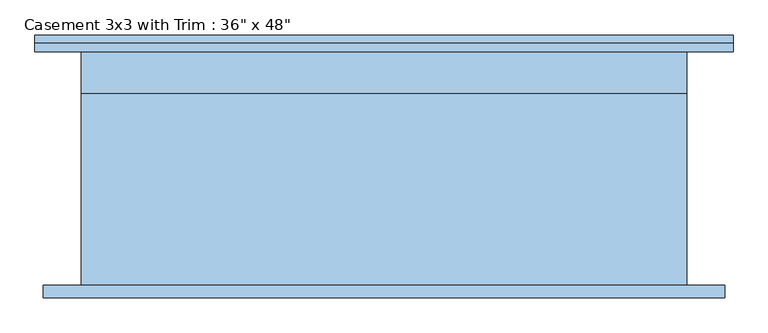
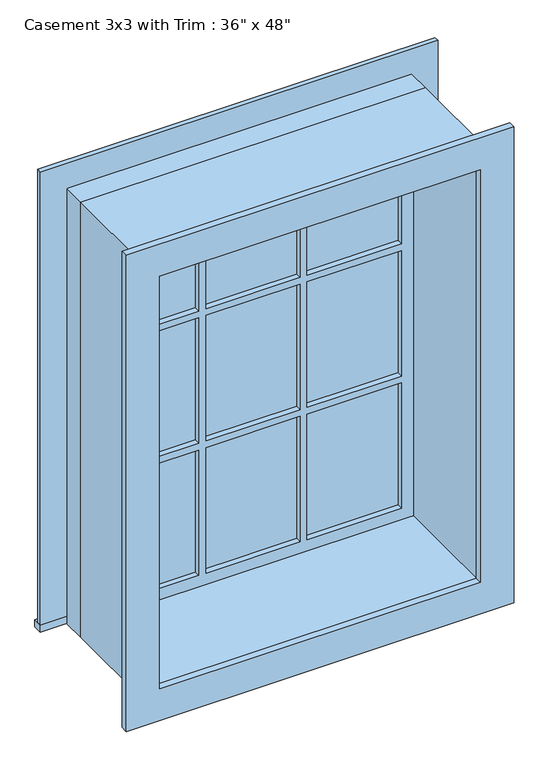
"""IFC4 building model written with IfcOpenShell, lengths in millimetres: window geometry."""

from ifc_helpers import new_model, si_unit, frame, origin, place, context, project, spatial, polyline, outline, extrude, source, transform, mapped, element, save


def window_c29ce2a5(model_context):
    return source(origin(), model_context, "Body", "SweptSolid", [
        extrude(outline(polyline([(-527.05, 201.6125), (527.05, 201.6125), (527.05, 176.2125), (-527.05, 176.2125), (-527.05, 201.6125)])), frame((0.0, 0.0, 914.4), z_axis=(0.0, 0.0, 1.0), x_axis=(1.0, 0.0, 0.0)), (0.0, 0.0, 1.0), 19.05),
        extrude(outline(polyline([(2114.55, -438.15), (2114.55, 438.15), (933.45, 438.15), (933.45, 527.05), (2203.45, 527.05), (2203.45, -527.05), (933.45, -527.05), (933.45, -438.15), (2114.55, -438.15)])), frame((0.0, 176.2125, 0.0), z_axis=(0.0, 1.0, 0.0), x_axis=(0.0, 0.0, 1.0)), (0.0, 0.0, 1.0), 12.7),
        extrude(outline(polyline([(143.9333333, 141.2875), (393.7, 141.2875), (393.7, 128.5875), (143.9333333, 128.5875), (143.9333333, 141.2875)])), frame((0.0, 0.0, 1718.7333333), z_axis=(0.0, 0.0, 1.0), x_axis=(1.0, 0.0, 0.0)), (0.0, 0.0, 1.0), 351.3666667),
        extrude(outline(polyline([(-124.8833333, 141.2875), (124.8833333, 141.2875), (124.8833333, 128.5875), (-124.8833333, 128.5875), (-124.8833333, 141.2875)])), frame((0.0, 0.0, 1718.7333333), z_axis=(0.0, 0.0, 1.0), x_axis=(1.0, 0.0, 0.0)), (0.0, 0.0, 1.0), 351.3666667),
        extrude(outline(polyline([(-393.7, 141.2875), (-143.9333333, 141.2875), (-143.9333333, 128.5875), (-393.7, 128.5875), (-393.7, 141.2875)])), frame((0.0, 0.0, 1718.7333333), z_axis=(0.0, 0.0, 1.0), x_axis=(1.0, 0.0, 0.0)), (0.0, 0.0, 1.0), 351.3666667),
        extrude(outline(polyline([(-393.7, 141.2875), (-143.9333333, 141.2875), (-143.9333333, 128.5875), (-393.7, 128.5875), (-393.7, 141.2875)])), frame((0.0, 0.0, 1348.3166667), z_axis=(0.0, 0.0, 1.0), x_axis=(1.0, 0.0, 0.0)), (0.0, 0.0, 1.0), 351.3666667),
        extrude(outline(polyline([(-124.8833333, 141.2875), (124.8833333, 141.2875), (124.8833333, 128.5875), (-124.8833333, 128.5875), (-124.8833333, 141.2875)])), frame((0.0, 0.0, 1348.3166667), z_axis=(0.0, 0.0, 1.0), x_axis=(1.0, 0.0, 0.0)), (0.0, 0.0, 1.0), 351.3666667),
        extrude(outline(polyline([(143.9333333, 141.2875), (393.7, 141.2875), (393.7, 128.5875), (143.9333333, 128.5875), (143.9333333, 141.2875)])), frame((0.0, 0.0, 1348.3166667), z_axis=(0.0, 0.0, 1.0), x_axis=(1.0, 0.0, 0.0)), (0.0, 0.0, 1.0), 351.3666667),
        extrude(outline(polyline([(143.9333333, 141.2875), (393.7, 141.2875), (393.7, 128.5875), (143.9333333, 128.5875), (143.9333333, 141.2875)])), frame((0.0, 0.0, 977.9), z_axis=(0.0, 0.0, 1.0), x_axis=(1.0, 0.0, 0.0)), (0.0, 0.0, 1.0), 351.3666667),
        extrude(outline(polyline([(-124.8833333, 141.2875), (124.8833333, 141.2875), (124.8833333, 128.5875), (-124.8833333, 128.5875), (-124.8833333, 141.2875)])), frame((0.0, 0.0, 977.9), z_axis=(0.0, 0.0, 1.0), x_axis=(1.0, 0.0, 0.0)), (0.0, 0.0, 1.0), 351.3666667),
        extrude(outline(polyline([(-393.7, 141.2875), (-143.9333333, 141.2875), (-143.9333333, 128.5875), (-393.7, 128.5875), (-393.7, 141.2875)])), frame((0.0, 0.0, 977.9), z_axis=(0.0, 0.0, 1.0), x_axis=(1.0, 0.0, 0.0)), (0.0, 0.0, 1.0), 351.3666667),
        extrude(outline(polyline([(2190.75, 514.35), (2190.75, -514.35), (857.25, -514.35), (857.25, 514.35), (2190.75, 514.35)]), holes=[polyline([(2101.85, 425.45), (946.15, 425.45), (946.15, -425.45), (2101.85, -425.45), (2101.85, 425.45)])]), frame((0.0, -195.2625, 0.0), z_axis=(0.0, 1.0, 0.0), x_axis=(0.0, 0.0, 1.0)), (0.0, 0.0, 1.0), 19.05),
        extrude(outline(polyline([(2114.55, -438.15), (933.45, -438.15), (933.45, 438.15), (2114.55, 438.15), (2114.55, -438.15)]), holes=[polyline([(2070.1, -143.9333333), (1718.7333333, -143.9333333), (1718.7333333, -393.7), (2070.1, -393.7), (2070.1, -143.9333333)]), polyline([(1699.6833333, -143.9333333), (1348.3166667, -143.9333333), (1348.3166667, -393.7), (1699.6833333, -393.7), (1699.6833333, -143.9333333)]), polyline([(1329.2666667, -143.9333333), (977.9, -143.9333333), (977.9, -393.7), (1329.2666667, -393.7), (1329.2666667, -143.9333333)]), polyline([(2070.1, 124.8833333), (1718.7333333, 124.8833333), (1718.7333333, -124.8833333), (2070.1, -124.8833333), (2070.1, 124.8833333)]), polyline([(1699.6833333, 124.8833333), (1348.3166667, 124.8833333), (1348.3166667, -124.8833333), (1699.6833333, -124.8833333), (1699.6833333, 124.8833333)]), polyline([(1329.2666667, 124.8833333), (977.9, 124.8833333), (977.9, -124.8833333), (1329.2666667, -124.8833333), (1329.2666667, 124.8833333)]), polyline([(2070.1, 393.7), (1718.7333333, 393.7), (1718.7333333, 143.9333333), (2070.1, 143.9333333), (2070.1, 393.7)]), polyline([(1699.6833333, 393.7), (1348.3166667, 393.7), (1348.3166667, 143.9333333), (1699.6833333, 143.9333333), (1699.6833333, 393.7)]), polyline([(1329.2666667, 393.7), (977.9, 393.7), (977.9, 143.9333333), (1329.2666667, 143.9333333), (1329.2666667, 393.7)])]), frame((0.0, 112.7125, 0.0), z_axis=(0.0, 1.0, 0.0), x_axis=(0.0, 0.0, 1.0)), (0.0, 0.0, 1.0), 44.45),
        extrude(outline(polyline([(2133.6, -457.2), (914.4, -457.2), (914.4, 457.2), (2133.6, 457.2), (2133.6, -457.2)]), holes=[polyline([(2101.85, -425.45), (2101.85, 425.45), (946.15, 425.45), (946.15, -425.45), (2101.85, -425.45)])]), frame((0.0, -176.2125, 0.0), z_axis=(0.0, 1.0, 0.0), x_axis=(0.0, 0.0, 1.0)), (0.0, 0.0, 1.0), 288.925),
        extrude(outline(polyline([(2133.6, 457.2), (2133.6, -457.2), (914.4, -457.2), (914.4, 457.2), (2133.6, 457.2)]), holes=[polyline([(2114.55, 438.15), (933.45, 438.15), (933.45, -438.15), (2114.55, -438.15), (2114.55, 438.15)])]), frame((0.0, 112.7125, 0.0), z_axis=(0.0, 1.0, 0.0), x_axis=(0.0, 0.0, 1.0)), (0.0, 0.0, 1.0), 63.5),
    ])


if __name__ == "__main__":
    model = new_model("IFC4")
    model_context = context("Model", 3, world=origin())
    ifc_project = project(units=[si_unit("LENGTHUNIT", "METRE", prefix="MILLI")], contexts=[model_context])
    site = spatial("IfcSite", under=ifc_project)
    building = spatial("IfcBuilding", under=site)
    placement = place(None, origin())
    window_shape = window_c29ce2a5(model_context)
    element("IfcWindow", 1, ObjectType="Casement 3x3 with Trim : 36\" x 48\"", at=placement, inside=building, context=model_context, shape_type="MappedRepresentation", body=[
        mapped(window_shape, transform((0.0, 0.0, 0.0), x_axis=(1.0, 0.0, 0.0), y_axis=(0.0, 1.0, 0.0), z_axis=(0.0, 0.0, 1.0))),
    ])
    save(model, "model.ifc")
